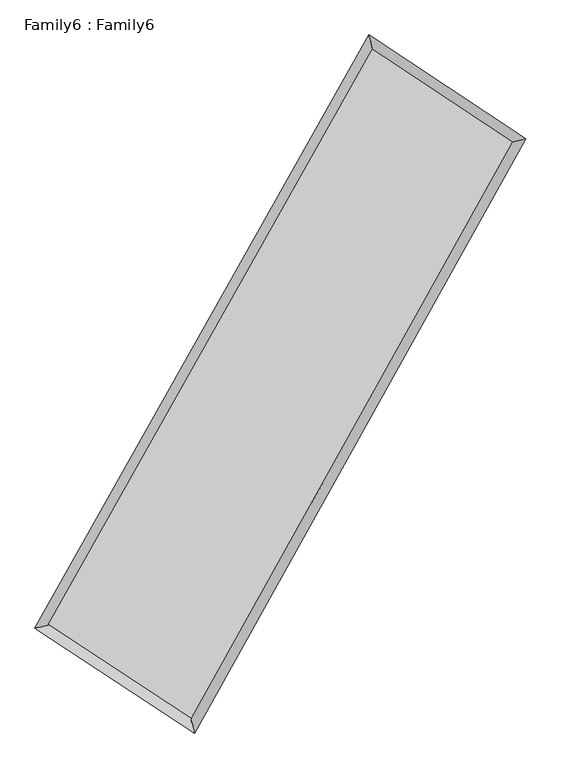
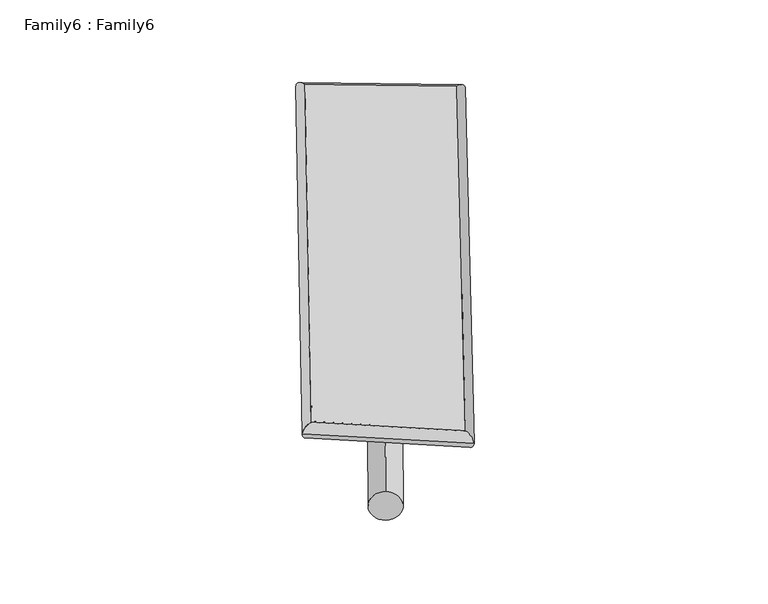
"""IFC4 building model written with IfcOpenShell, lengths in millimetres: plate geometry, Family6 : Family6."""

from ifc_helpers import new_model, si_unit, point, frame, origin, origin_2d, place, context, project, spatial, circle_curve, ellipse_curve, trimmed, segment, composite_curve, outline, extrude, source, transform, mapped, element, save
from ifc_brep_helpers import plane_surface, cylinder_surface, spline_surface, advanced_brep


def family6_family6_6fbfc86e(model_context):
    return source(origin(), model_context, "Body", "SolidModel", [
        extrude(outline(composite_curve([segment(trimmed(circle_curve(origin_2d(), 76.2), [point((-75.4341514, -10.7763073))], [point((75.4341514, 10.7763073))], False, "CARTESIAN"), True, "CONTINUOUS"), segment(trimmed(circle_curve(origin_2d(), 76.2), [point((75.4341514, 10.7763073))], [point((-75.4341514, -10.7763073))], False, "CARTESIAN"), True, "CONTINUOUS")], self_intersect=False)), frame((9144.0, 9144.0, 0.0), z_axis=(0.6638570864702542, 0.69159393612358, 0.2845902251665), x_axis=(-0.6844106449614334, 0.7152194540450267, -0.14157401463195407)), (0.0, 0.0, 1.0), 5480.3534632),
        extrude(outline(composite_curve([segment(trimmed(circle_curve(origin_2d(), 76.2), [point((-53.8815367, 53.8815367))], [point((53.8815367, -53.8815367))], False, "CARTESIAN"), True, "CONTINUOUS"), segment(trimmed(circle_curve(origin_2d(), 76.2), [point((53.8815367, -53.8815367))], [point((-53.8815367, 53.8815367))], False, "CARTESIAN"), True, "CONTINUOUS")], self_intersect=False)), frame((9144.0, 9144.0, 0.0), z_axis=(-0.6667289022127655, -0.6890088412639783, 0.2841467712542772), x_axis=(0.6497300926011732, -0.35055290356794755, 0.6745097987194495)), (0.0, 0.0, 1.0), 5488.0834696),
        extrude(outline(composite_curve([segment(trimmed(circle_curve(origin_2d(), 76.2), [point((-53.8815367, -53.8815368))], [point((53.8815367, 53.8815368))], False, "CARTESIAN"), True, "CONTINUOUS"), segment(trimmed(circle_curve(origin_2d(), 76.2), [point((53.8815367, 53.8815368))], [point((-53.8815367, -53.8815368))], False, "CARTESIAN"), True, "CONTINUOUS")], self_intersect=False)), frame((9144.0, 9144.0, 0.0), z_axis=(0.25382342216667153, 0.9307437828359593, 0.2632293317086991), x_axis=(-0.8423570388636297, 0.3464637571200569, -0.4127923013806725)), (0.0, 0.0, 1.0), 5640.9342483),
        extrude(outline(composite_curve([segment(trimmed(circle_curve(origin_2d(), 76.2), [point((-75.4341515, 10.7763073))], [point((75.4341515, -10.7763073))], False, "CARTESIAN"), True, "CONTINUOUS"), segment(trimmed(circle_curve(origin_2d(), 76.2), [point((75.4341515, -10.7763073))], [point((-75.4341515, 10.7763073))], False, "CARTESIAN"), True, "CONTINUOUS")], self_intersect=False)), frame((9144.0, 9144.0, 0.0), z_axis=(-0.2503159837963743, -0.9316878015584565, 0.26324845428458526), x_axis=(0.8867268067641777, -0.11146919173585369, 0.44865375230745624)), (0.0, 0.0, 1.0), 5642.1898807),
        advanced_brep(
        [(5282.5221116, 5313.625797, 1553.7313149), (5282.3615967, 5313.4050236, 1566.4016818), (5687.3501546, 5411.6981387, 1565.1110816), (10628.0855867, 14176.9585907, 1492.7480654), (10523.5168835, 14611.5703712, 1476.9706394), (5687.5106694, 5411.9189121, 1552.4407147), (12580.2364692, 12885.1052729, 1558.9257346), (12984.1064966, 12983.253173, 1560.3843176), (7678.4160855, 4104.4988332, 1486.7574722), (7784.923293, 3669.982195, 1483.8380575)],
        [
            (0, 1, ellipse_curve(frame((5484.9361331, 5362.6619679, 1559.4211983), z_axis=(-0.23579364538893444, 0.9717031011548888, 0.013944174416915768), x_axis=(-0.971399007579565, -0.23608509411615608, 0.02545184491548722)), 208.5997585, 152.4)),
            (1, 2, ellipse_curve(frame((5484.9361331, 5362.6619679, 1559.4211983), z_axis=(-0.23579364538893444, 0.9717031011548888, 0.013944174416915768), x_axis=(-0.971399007579565, -0.23608509411615608, 0.02545184491548722)), 208.5997585, 152.4)),
            (2, 3),
            (3, 4, ellipse_curve(frame((10575.8012351, 14394.264481, 1484.8593524), z_axis=(-0.9720102332814395, -0.23442934770917162, -0.015459215012850335), x_axis=(0.23402459701683226, -0.9719290134053484, 0.02421736756989277)), 223.662239, 152.4)),
            (4, 0),
            (2, 5, ellipse_curve(frame((5484.9361331, 5362.6619679, 1559.4211983), z_axis=(-0.23579364538893444, 0.9717031011548888, 0.013944174416915768), x_axis=(-0.971399007579565, -0.23608509411615608, 0.02545184491548722)), 208.5997585, 152.4)),
            (5, 0, ellipse_curve(frame((5484.9361331, 5362.6619679, 1559.4211983), z_axis=(-0.23579364538893444, 0.9717031011548888, 0.013944174416915768), x_axis=(-0.971399007579565, -0.23608509411615608, 0.02545184491548722)), 208.5997585, 152.4)),
            (4, 3, ellipse_curve(frame((10575.8012351, 14394.264481, 1484.8593524), z_axis=(-0.9720102332814395, -0.23442934770917162, -0.015459215012850335), x_axis=(0.23402459701683226, -0.9719290134053484, 0.02421736756989277)), 223.662239, 152.4)),
            (3, 6),
            (6, 7, ellipse_curve(frame((12782.1714829, 12934.179223, 1559.6550261), z_axis=(-0.23607197660655999, 0.9716292054720357, -0.014377375798539958), x_axis=(-0.9713112490042165, -0.23638025611675104, -0.02605440607744136)), 207.8591416, 152.4)),
            (7, 4),
            (7, 6, ellipse_curve(frame((12782.1714829, 12934.179223, 1559.6550261), z_axis=(-0.23607197660655999, 0.9716292054720357, -0.014377375798539958), x_axis=(-0.9713112490042165, -0.23638025611675104, -0.02605440607744136)), 207.8591416, 152.4)),
            (6, 8),
            (8, 9, ellipse_curve(frame((7731.6696892, 3887.2405141, 1485.2977649), z_axis=(0.9711161977242111, 0.2381371853794063, -0.01496701230189599), x_axis=(-0.23775184931572654, 0.9710360814059258, 0.02372734192395566)), 223.7328, 152.4)),
            (9, 7),
            (9, 8, ellipse_curve(frame((7731.6696892, 3887.2405141, 1485.2977649), z_axis=(0.9711161977242111, 0.2381371853794063, -0.01496701230189599), x_axis=(-0.23775184931572654, 0.9710360814059258, 0.02372734192395566)), 223.7328, 152.4)),
            (8, 5),
            (1, 9),
        ],
        [
            cylinder_surface(frame((5484.9361331, 5362.6619679, 1559.4211983), z_axis=(-0.4910241917318371, -0.8711162513955281, 0.007191640195342075), x_axis=(-0.8704490838538707, 0.4902845554887082, -0.04403915379746893)), 152.4),
            cylinder_surface(frame((10575.8012351, 14394.264481, 1484.8593524), z_axis=(-0.83360137084403, 0.5516431677169505, -0.02825898154857758), x_axis=(0.5522417409118817, 0.8334090109954334, -0.021412145764216024)), 152.4),
            cylinder_surface(frame((12782.1714829, 12934.179223, 1559.6550261), z_axis=(0.48743070005288414, 0.8731321853487218, 0.007176318981255048), x_axis=(0.8731596791660421, -0.48743070005288414, -0.0018674379801896929)), 152.4),
            cylinder_surface(frame((7731.6696892, 3887.2405141, 1485.2977649), z_axis=(0.8355591214118586, -0.5487085240942429, -0.027566468975199807), x_axis=(-0.5483448336842025, -0.8360121411693839, 0.020041037628485463)), 152.4),
        ],
        [
            (0, [[1, 2, 3, 4, 5]]),
            (0, [[6, 7, -5, 8, -3]]),
            (1, [[-4, 9, 10, 11]]),
            (1, [[-8, -11, 12, -9]]),
            (2, [[-10, 13, 14, 15]]),
            (2, [[-12, -15, 16, -13]]),
            (3, [[-14, 17, -6, -2, 18]]),
            (3, [[-16, -18, -1, -7, -17]]),
        ],
    ),
        extrude(outline(composite_curve([segment(trimmed(circle_curve(origin_2d(), 304.8), [point((0.0, -304.8))], [point((0.0, 304.7999999))], False, "CARTESIAN"), True, "CONTINUOUS"), segment(trimmed(circle_curve(origin_2d(), 304.8), [point((0.0, 304.7999999))], [point((0.0, -304.8))], False, "CARTESIAN"), True, "CONTINUOUS")], self_intersect=False)), frame((6566.6564152, 4637.8528098, -0.029432), z_axis=(0.49648775912500437, 0.8680437229810989, 5.66965587723845e-06), x_axis=(-0.8680437229983067, 0.4964877591250043, 1.5068784027216853e-06)), (0.0, 0.0, 1.0), 10382.3046487),
        advanced_brep(
        [(5484.9361331, 5362.6619679, 1559.4211983), (7731.6696892, 3887.2405141, 1485.2977649), (7731.6838758, 3887.2348521, 1637.6977641), (5484.9503197, 5362.6563059, 1711.8211975), (12782.1714829, 12934.179223, 1559.6550261), (12782.1856695, 12934.173561, 1712.0550253), (10575.8012351, 14394.264481, 1484.8593524), (10575.8154217, 14394.258819, 1637.2593516)],
        [
            (0, 1),
            (1, 2),
            (2, 3),
            (3, 0),
            (1, 4),
            (4, 5),
            (5, 2),
            (4, 6),
            (6, 7),
            (7, 5),
            (6, 0),
            (3, 7),
        ],
        [
            plane_surface(frame((6608.3029112, 4624.951241, 1522.3594816), z_axis=(-0.5489166654751421, -0.8358770806535651, 2.0043077907852883e-05), x_axis=(0.8355591214118587, -0.5487085240942429, -0.02756646897519981))),
            plane_surface(frame((10256.9205861, 8410.7098685, 1522.4763955), z_axis=(0.8731550125419061, -0.48744262656712317, -9.938957776625115e-05), x_axis=(0.4874307000528846, 0.8731321853487216, 0.007176318981255049))),
            plane_surface(frame((11678.986359, 13664.221852, 1522.2571892), z_axis=(0.5518640431609898, 0.8339340965869358, -2.038962861324739e-05), x_axis=(-0.8336013708440295, 0.5516431677169509, -0.028258981548577596))),
            plane_surface(frame((8030.3686841, 9878.4632244, 1522.1402753), z_axis=(-0.8711384241035933, 0.49103750995497664, 9.933541452922245e-05), x_axis=(-0.4910241917318375, -0.871116251395528, 0.007191640195342059))),
            spline_surface(1, 1, [[(7731.6838758, 3887.2348521, 1637.6977641), (5484.9503197, 5362.6563059, 1711.8211975)], [(12782.1856695, 12934.173561, 1712.0550253), (10575.8154217, 14394.258819, 1637.2593516)]], [2, 2], [2, 2], [0.0, 1.0], [0.0, 1.0]),
            spline_surface(1, 1, [[(10575.8012351, 14394.264481, 1484.8593524), (5484.9361331, 5362.6619679, 1559.4211983)], [(12782.1714829, 12934.179223, 1559.6550261), (7731.6696892, 3887.2405141, 1485.2977649)]], [2, 2], [2, 2], [0.0, 1.0], [0.0, 1.0]),
        ],
        [
            (0, [[1, 2, 3, 4]]),
            (1, [[5, 6, 7, -2]]),
            (2, [[8, 9, 10, -6]]),
            (3, [[11, -4, 12, -9]]),
            (4, [[-3, -7, -10, -12]]),
            (5, [[-11, -8, -5, -1]]),
        ],
    ),
    ])


if __name__ == "__main__":
    model = new_model("IFC4")
    model_context = context("Model", 3, world=origin())
    ifc_project = project(units=[si_unit("LENGTHUNIT", "METRE", prefix="MILLI")], contexts=[model_context])
    site = spatial("IfcSite", under=ifc_project)
    building = spatial("IfcBuilding", under=site)
    placement = place(None, origin())
    family6_family6_shape = family6_family6_6fbfc86e(model_context)
    element("IfcPlate", 1, ObjectType="Family6 : Family6", at=placement, inside=building, context=model_context, shape_type="MappedRepresentation", body=[
        mapped(family6_family6_shape, transform((0.0, 0.0, 0.0), x_axis=(1.0, 0.0, 0.0), y_axis=(0.0, 1.0, 0.0), z_axis=(0.0, 0.0, 1.0))),
    ])
    save(model, "model.ifc")
